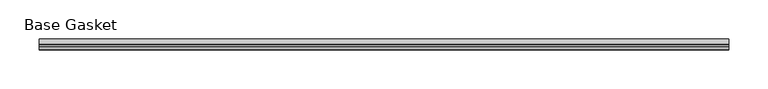
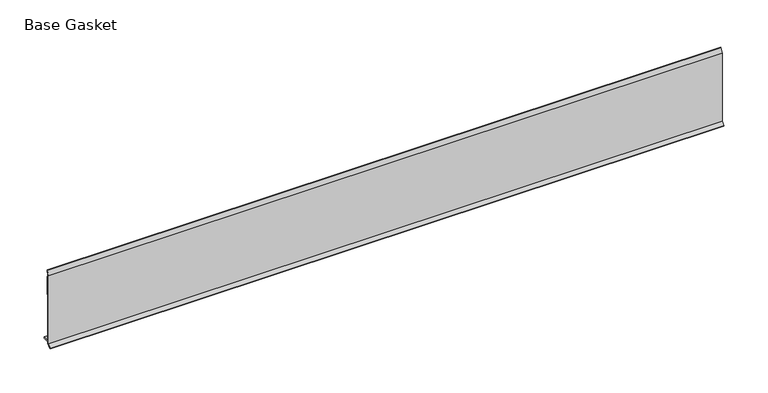
"""IFC4 building model written with IfcOpenShell, lengths in millimetres: furniture geometry, Base Gasket."""

from ifc_helpers import new_model, si_unit, frame, origin, place, context, project, spatial, polyline, outline, extrude, source, transform, mapped, element, save


def base_gasket_be28e318(model_context):
    return source(origin(), model_context, "Body", "SweptSolid", [
        extrude(outline(polyline([(-3.7283812, 98.4568417), (-1.1891543, 104.587663), (-0.6755308, 105.2002997), (-0.6755308, 104.4162708), (-2.2043812, 98.4568417), (-2.2043812, 96.8693477), (-1.4106313, 96.8693477), (-1.4106313, 71.4693447), (-2.2043812, 71.4693447), (-2.2043812, 7.9398773), (6.2405171, 7.9398773), (6.2405171, 6.3818476), (-2.1334222, 6.3818476), (-2.2043812, 4.3498477), (-6.8281054, 0.3520979), (-7.8482342, 0.0), (-7.4222115, 0.6560174), (-3.7283812, 4.3498477), (-3.7283812, 98.4568417)])), frame((-1527.8982117, 0.0, 0.0), z_axis=(1.0, 0.0, 0.0), x_axis=(0.0, 1.0, 0.0)), (0.0, 0.0, 1.0), 882.0071795),
    ])


if __name__ == "__main__":
    model = new_model("IFC4")
    model_context = context("Model", 3, world=origin())
    ifc_project = project(units=[si_unit("LENGTHUNIT", "METRE", prefix="MILLI")], contexts=[model_context])
    site = spatial("IfcSite", under=ifc_project)
    building = spatial("IfcBuilding", under=site)
    placement = place(None, origin())
    base_gasket_shape = base_gasket_be28e318(model_context)
    element("IfcFurniture", 1, ObjectType="Base Gasket", at=placement, inside=building, context=model_context, shape_type="MappedRepresentation", body=[
        mapped(base_gasket_shape, transform((0.0, 0.0, 0.0), x_axis=(1.0, 0.0, 0.0), y_axis=(0.0, 1.0, 0.0), z_axis=(0.0, 0.0, 1.0))),
    ])
    save(model, "model.ifc")
